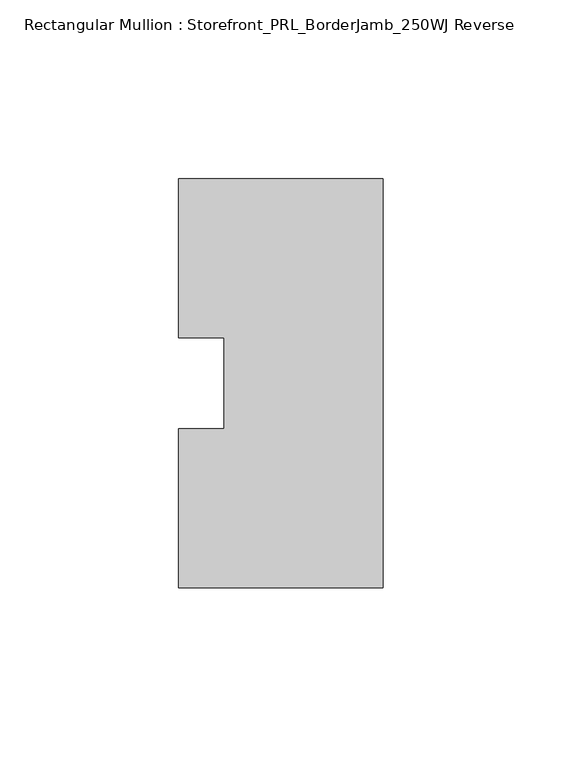
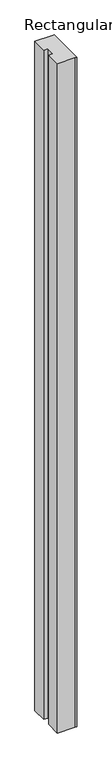
"""IFC4 building model written with IfcOpenShell, lengths in millimetres: member geometry, Rectangular Mullion : Storefront_PRL_BorderJamb_250WJ Reverse."""

from ifc_helpers import new_model, si_unit, frame, origin, place, context, project, spatial, polyline, outline, extrude, source, transform, mapped, element, save


def rectangular_mullion_storefront_prl_borderjamb_250wj_reverse_32017250(model_context):
    return source(origin(), model_context, "Body", "SweptSolid", [
        extrude(outline(polyline([(-44.45, -12.7), (-44.45, 12.7), (-57.15, 12.7), (-57.15, 57.15), (-7.3958824, 57.15), (0.0, 57.15), (0.0, -57.15), (-6.35, -57.15), (-57.15, -57.15), (-57.15, -12.7), (-44.45, -12.7)])), frame((0.0, 0.0, -2076.45), z_axis=(0.0, 0.0, 1.0), x_axis=(1.0, 0.0, 0.0)), (0.0, 0.0, 1.0), 2076.45),
    ])


if __name__ == "__main__":
    model = new_model("IFC4")
    model_context = context("Model", 3, world=origin())
    ifc_project = project(units=[si_unit("LENGTHUNIT", "METRE", prefix="MILLI")], contexts=[model_context])
    site = spatial("IfcSite", under=ifc_project)
    building = spatial("IfcBuilding", under=site)
    placement = place(None, origin())
    rectangular_mullion_storefront_prl_borderjamb_250wj_reverse_shape = rectangular_mullion_storefront_prl_borderjamb_250wj_reverse_32017250(model_context)
    element("IfcMember", 1, ObjectType="Rectangular Mullion : Storefront_PRL_BorderJamb_250WJ Reverse", at=placement, inside=building, context=model_context, shape_type="MappedRepresentation", body=[
        mapped(rectangular_mullion_storefront_prl_borderjamb_250wj_reverse_shape, transform((0.0, 0.0, 0.0), x_axis=(1.0, 0.0, 0.0), y_axis=(0.0, 1.0, 0.0), z_axis=(0.0, 0.0, 1.0))),
    ])
    save(model, "model.ifc")
